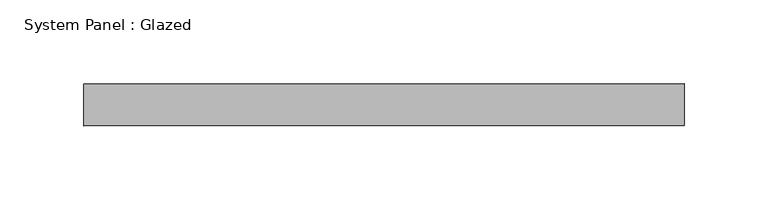
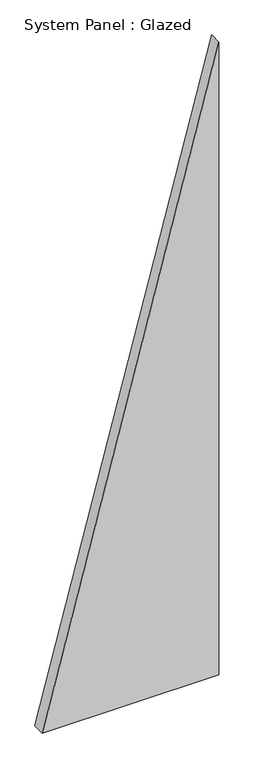
"""IFC4 building model written with IfcOpenShell, lengths in millimetres: plate geometry, System Panel : Glazed."""

from ifc_helpers import new_model, si_unit, frame, origin, place, context, project, spatial, polyline, outline, extrude, source, transform, mapped, element, save


def system_panel_glazed_e52be475(model_context):
    return source(origin(), model_context, "Body", "SweptSolid", [
        extrude(outline(polyline([(0.0, -178.5714287), (0.0, 178.5714287), (1351.3513525, 178.5714287), (0.0, -178.5714287)])), frame((0.0, 24.5, 0.0), z_axis=(0.0, 1.0, 0.0), x_axis=(0.0, 0.0, 1.0)), (0.0, 0.0, 1.0), 25.0),
    ])


if __name__ == "__main__":
    model = new_model("IFC4")
    model_context = context("Model", 3, world=origin())
    ifc_project = project(units=[si_unit("LENGTHUNIT", "METRE", prefix="MILLI")], contexts=[model_context])
    site = spatial("IfcSite", under=ifc_project)
    building = spatial("IfcBuilding", under=site)
    placement = place(None, origin())
    system_panel_glazed_shape = system_panel_glazed_e52be475(model_context)
    element("IfcPlate", 1, ObjectType="System Panel : Glazed", at=placement, inside=building, context=model_context, shape_type="MappedRepresentation", body=[
        mapped(system_panel_glazed_shape, transform((0.0, 0.0, 0.0), x_axis=(1.0, 0.0, 0.0), y_axis=(0.0, 1.0, 0.0), z_axis=(0.0, 0.0, 1.0))),
    ])
    save(model, "model.ifc")
